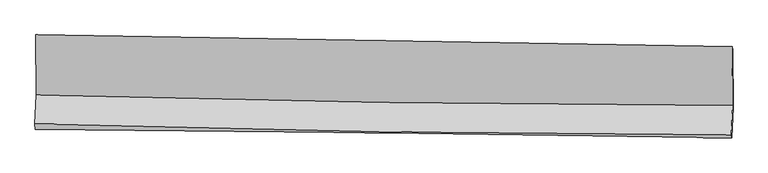
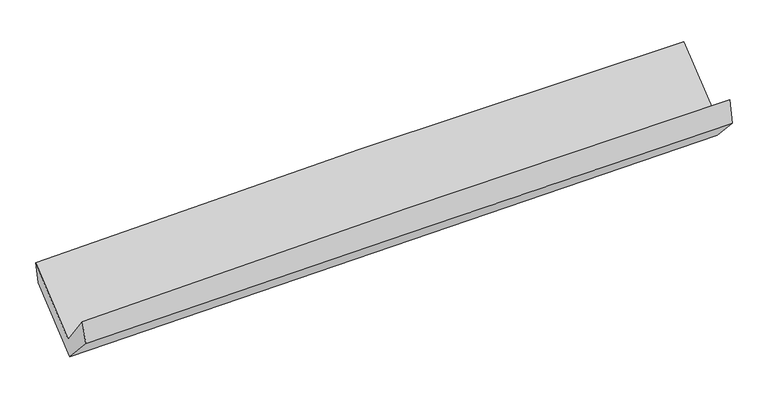
"""IFC4 building model written with IfcOpenShell, lengths in millimetres: proxy geometry."""

from ifc_helpers import new_model, si_unit, frame, origin, place, context, project, spatial, source, transform, mapped, element, save
from ifc_brep_helpers import plane_surface, spline_curve, spline_surface, advanced_brep


def generic_models_e3f27077(model_context):
    return source(origin(), model_context, "Body", "AdvancedBrep", [
        advanced_brep(
        [(-3015.0574353, -1157.4992455, 2163.2579656), (-3011.6463668, -1676.8540167, 1718.7193031), (3001.9726146, -1768.7834608, 1891.8674829), (2997.4783874, -1260.38604, 2312.7140872), (-3022.3927682, -1929.0245788, 2050.9586459), (2991.7384827, -2023.8181047, 2199.8489644), (-3018.653411, -1978.1673797, 1857.9129149), (2996.6815538, -2049.0143154, 1982.7884669), (-3008.2945977, -1700.4145867, 1557.2733773), (3006.3665383, -1789.0334013, 1699.9096156), (-3011.424096, -1190.534963, 1984.0090852), (3001.9117883, -1285.1017464, 2117.0595008)],
        [
            (0, 1),
            (1, 2, spline_curve(3, [(-3011.6463668, -1676.8540167, 1718.7193031), (-2009.481778394, -1704.839911097, 1760.022354256), (-1007.080443015, -1726.494134292, 1795.105910435), (997.459565298, -1757.127988384, 1852.812840594), (1999.597890266, -1766.116913061, 1875.445344346), (3001.9726146, -1768.7834608, 1891.8674829)], [4, 2, 4], [0.0, 9.872772271116698, 19.73829575553517])),
            (2, 3),
            (3, 0, spline_curve(3, [(2997.4783874, -1260.38604, 2312.7140872), (1995.323531713, -1243.183262962, 2305.908745841), (993.385378444, -1226.011112705, 2290.059295039), (-1010.793547355, -1191.715469198, 2240.253882982), (-2013.034001869, -1174.592021877, 2206.28462673), (-3015.0574353, -1157.4992455, 2163.2579656)], [4, 2, 4], [0.0, 9.865523484418471, 19.73829575553517])),
            (1, 4),
            (4, 5, spline_curve(3, [(-3022.3927682, -1929.0245788, 2050.9586459), (-2020.403305859, -1958.301960064, 2098.710756689), (-1018.046780646, -1980.840538509, 2134.994685154), (986.664174949, -2012.42848838, 2184.607957229), (1989.018066868, -2021.487752122, 2197.954134828), (2991.7384827, -2023.8181047, 2199.8489644)], [4, 2, 4], [0.0, 9.874314144102968, 19.74137836943375])),
            (5, 2),
            (4, 6),
            (6, 7, spline_curve(3, [(-3018.653411, -1978.1673797, 1857.9129149), (-2015.621782644, -1984.121174614, 1875.260499709), (-1012.643982482, -1993.005226948, 1894.345047175), (992.46759326, -2016.625173749, 1935.972780855), (1994.601448437, -2031.356766332, 1958.513417226), (2996.6815538, -2049.0143154, 1982.7884669)], [4, 2, 4], [0.0, 9.873957450869279, 19.740665244857674])),
            (7, 5),
            (6, 8),
            (8, 9, spline_curve(3, [(-3008.2945977, -1700.4145867, 1557.2733773), (-2005.338573531, -1708.035689885, 1576.671712943), (-1002.454755753, -1719.235168189, 1598.262403919), (1002.432183827, -1748.780026015, 1645.811035093), (2004.435410954, -1767.120152117, 1671.765756675), (3006.3665383, -1789.0334013, 1699.9096156)], [4, 2, 4], [0.0, 9.874137036079064, 19.741024283422195])),
            (9, 7),
            (8, 10),
            (10, 11, spline_curve(3, [(-3011.424096, -1190.534963, 1984.0090852), (-2008.696737975, -1199.7142871, 2002.856580775), (-1006.037729994, -1212.188618066, 2023.372547664), (998.407464697, -1243.715716171, 2067.725135478), (2000.193751294, -1262.763646087, 2091.559306945), (3001.9117883, -1285.1017464, 2117.0595008)], [4, 2, 4], [0.0, 9.87293213836098, 19.73861537264601])),
            (11, 9),
            (10, 0),
            (3, 11),
        ],
        [
            spline_surface(3, 3, [[(-3015.0574353, -1157.4992455, 2163.2579656), (-2013.034001838, -1174.592021749, 2206.284626798), (-1010.793547514, -1191.715469362, 2240.253883098), (993.385378603, -1226.011112541, 2290.059294923), (1995.323531875, -1243.183263114, 2305.908745828), (2997.4783874, -1260.38604, 2312.7140872)], [(-3013.920412477, -1330.617502555, 2015.078411434), (-2011.849927333, -1351.341318227, 2057.530535906), (-1009.55584596, -1369.975024371, 2091.871225534), (994.743440789, -1403.050071091, 2144.310476859), (1996.748317992, -1417.494479767, 2162.420945346), (2998.976463164, -1429.851846962, 2172.431885764)], [(-3012.783389623, -1503.735759645, 1866.898857266), (-2010.665852799, -1528.090614739, 1908.776445012), (-1008.318144419, -1548.234579429, 1943.488567916), (996.101502962, -1580.089029688, 1998.561658741), (1998.173104018, -1591.805696333, 2018.933144872), (3000.474538836, -1599.317653838, 2032.149684336)], [(-3011.6463668, -1676.8540167, 1718.7193031), (-2009.481778294, -1704.839911217, 1760.02235412), (-1007.080442865, -1726.494134439, 1795.105910352), (997.459565148, -1757.127988237, 1852.812840677), (1999.597890136, -1766.116912986, 1875.44534439), (3001.9726146, -1768.7834608, 1891.8674829)]], [4, 4], [4, 2, 4], [0.0, 2.2699700833705503], [0.0, 9.872772271116698, 19.73829575553517]),
            spline_surface(3, 3, [[(-3011.6463668, -1676.8540167, 1718.7193031), (-2009.481778294, -1704.839911217, 1760.02235412), (-1007.080442865, -1726.494134439, 1795.105910352), (997.459565148, -1757.127988237, 1852.812840677), (1999.597890136, -1766.116912986, 1875.44534439), (3001.9726146, -1768.7834608, 1891.8674829)], [(-3015.2285006, -1760.910870738, 1829.465750709), (-2013.122287458, -1789.327260848, 1872.918488316), (-1010.735888832, -1811.27626909, 1908.402168619), (993.861101778, -1842.228154989, 1963.411212836), (1996.0712824, -1851.240526028, 1982.948274554), (2998.561237298, -1853.795008768, 1994.527976737)], [(-3018.8106344, -1844.967724762, 1940.212198291), (-2016.762796623, -1873.814610464, 1985.814622485), (-1014.391334783, -1896.058403744, 2021.698426925), (990.262638423, -1927.328321743, 2074.009585033), (1992.544674669, -1936.364139065, 2090.451204708), (2995.149860002, -1938.806556732, 2097.188470563)], [(-3022.3927682, -1929.0245788, 2050.9586459), (-2020.403305788, -1958.301960095, 2098.710756681), (-1018.046780749, -1980.840538395, 2134.994685192), (986.664175053, -2012.428488494, 2184.607957191), (1989.018066933, -2021.487752106, 2197.954134872), (2991.7384827, -2023.8181047, 2199.8489644)]], [4, 4], [4, 2, 4], [0.0, 1.383585129769696], [0.0, 9.874314144102968, 19.74137836943375]),
            spline_surface(3, 3, [[(-3022.3927682, -1929.0245788, 2050.9586459), (-2020.403305788, -1958.301960095, 2098.710756681), (-1018.046780749, -1980.840538395, 2134.994685192), (986.664175053, -2012.428488494, 2184.607957191), (1989.018066933, -2021.487752106, 2197.954134872), (2991.7384827, -2023.8181047, 2199.8489644)], [(-3021.146315775, -1945.405512431, 1986.610068873), (-2018.809464682, -1966.908364885, 2024.227337609), (-1016.245848034, -1984.895434622, 2054.778139186), (988.598647803, -2013.827383551, 2101.72956509), (1990.879194051, -2024.777423481, 2118.140562327), (2993.386173056, -2032.216841596, 2127.495465242)], [(-3019.899863425, -1961.786446069, 1922.261491927), (-2017.215623651, -1975.514769684, 1949.743918619), (-1014.44491528, -1988.950330827, 1974.561593164), (990.533120592, -2015.226278586, 2018.851172973), (1992.7403212, -2028.067094868, 2038.326989757), (2995.033863444, -2040.615578504, 2055.141966058)], [(-3018.653411, -1978.1673797, 1857.9129149), (-2015.621782546, -1984.121174475, 1875.260499547), (-1012.643982565, -1993.005227055, 1894.345047159), (992.467593342, -2016.625173642, 1935.972780872), (1994.601448317, -2031.356766243, 1958.513417212), (2996.6815538, -2049.0143154, 1982.7884669)]], [4, 4], [4, 2, 4], [0.0, 0.8032822404319997], [0.0, 9.873957450869279, 19.740665244857674]),
            spline_surface(3, 3, [[(-3018.653411, -1978.1673797, 1857.9129149), (-2015.621782546, -1984.121174475, 1875.260499547), (-1012.643982565, -1993.005227055, 1894.345047159), (992.467593342, -2016.625173642, 1935.972780872), (1994.601448317, -2031.356766243, 1958.513417212), (2996.6815538, -2049.0143154, 1982.7884669)], [(-3015.20047324, -1885.583115386, 1757.699735726), (-2012.194046242, -1892.092679595, 1775.730904054), (-1009.247573579, -1901.748540798, 1795.650832807), (995.789123466, -1927.343457714, 1839.252198917), (1997.879435889, -1943.277894896, 1862.930863689), (2999.909881951, -1962.354010698, 1888.495516445)], [(-3011.74753546, -1792.998851014, 1657.486556474), (-2008.766309919, -1800.064184658, 1676.201308483), (-1005.851164609, -1810.491854572, 1696.956618406), (999.110653575, -1838.061741817, 1742.531616913), (2001.157423509, -1855.199023553, 1767.34831023), (3003.138210149, -1875.693706002, 1794.202566055)], [(-3008.2945977, -1700.4145867, 1557.2733773), (-2005.338573615, -1708.035689778, 1576.67171299), (-1002.454755623, -1719.235168316, 1598.262404054), (1002.432183698, -1748.780025889, 1645.811034958), (2004.435411081, -1767.120152206, 1671.765756707), (3006.3665383, -1789.0334013, 1699.9096156)]], [4, 4], [4, 2, 4], [0.0, 1.3097143171867511], [0.0, 9.874137036079064, 19.741024283422195]),
            spline_surface(3, 3, [[(-3008.2945977, -1700.4145867, 1557.2733773), (-2005.338573615, -1708.035689778, 1576.67171299), (-1002.454755623, -1719.235168316, 1598.262404054), (1002.432183698, -1748.780025889, 1645.811034958), (2004.435411081, -1767.120152206, 1671.765756707), (3006.3665383, -1789.0334013, 1699.9096156)], [(-3009.337763793, -1530.454712129, 1699.518613252), (-2006.457961747, -1538.595222215, 1718.733335608), (-1003.64908037, -1550.219651612, 1739.965785259), (1001.09061065, -1580.425255956, 1786.449068423), (2003.021524459, -1599.001316835, 1811.696940181), (3004.881621643, -1621.056182997, 1838.959577341)], [(-3010.380929907, -1360.494837571, 1841.763849248), (-2007.577349902, -1369.154754663, 1860.794958271), (-1004.84340511, -1381.20413488, 1881.669166524), (999.749037608, -1412.070485993, 1927.087101948), (2001.607637809, -1430.882481473, 1951.628123632), (3003.396704957, -1453.078964703, 1978.009539059)], [(-3011.424096, -1190.534963, 1984.0090852), (-2008.696738035, -1199.7142871, 2002.856580889), (-1006.037729857, -1212.188618176, 2023.37254773), (998.40746456, -1243.715716061, 2067.725135413), (2000.193751187, -1262.763646103, 2091.559307106), (3001.9117883, -1285.1017464, 2117.0595008)]], [4, 4], [4, 2, 4], [0.0, 2.165033218522723], [0.0, 9.87293213836098, 19.73861537264601]),
            spline_surface(3, 3, [[(-3011.424096, -1190.534963, 1984.0090852), (-2008.696738035, -1199.7142871, 2002.856580889), (-1006.037729857, -1212.188618176, 2023.37254773), (998.40746456, -1243.715716061, 2067.725135413), (2000.193751187, -1262.763646103, 2091.559307106), (3001.9117883, -1285.1017464, 2117.0595008)], [(-3012.635209116, -1179.523057161, 2043.758712006), (-2010.142492651, -1191.340198644, 2070.665929531), (-1007.623002398, -1205.364235248, 2095.666326179), (996.733435919, -1237.814181564, 2141.836521909), (1998.570344738, -1256.236851751, 2163.009120017), (3000.433987988, -1276.863177578, 2182.277696271)], [(-3013.846322184, -1168.511151339, 2103.508338794), (-2011.588247221, -1182.966110205, 2138.475278155), (-1009.208274973, -1198.53985229, 2167.960104649), (995.059407244, -1231.912647038, 2215.947908426), (1996.946938324, -1249.710057466, 2234.458932916), (2998.956187712, -1268.624608822, 2247.495891729)], [(-3015.0574353, -1157.4992455, 2163.2579656), (-2013.034001838, -1174.592021749, 2206.284626798), (-1010.793547514, -1191.715469362, 2240.253883098), (993.385378603, -1226.011112541, 2290.059294923), (1995.323531875, -1243.183263114, 2305.908745828), (2997.4783874, -1260.38604, 2312.7140872)]], [4, 4], [4, 2, 4], [0.0, 0.7233861846037987], [0.0, 9.871494441917486, 19.735741035344482]),
            plane_surface(frame((2999.3582275, -1696.0228448, 2034.031353), z_axis=(0.9996494498032531, -0.011071442730628218, 0.02404996182775071), x_axis=(-0.006809435290055261, 0.7702991225557001, 0.6376463701621372))),
            plane_surface(frame((-3014.5781125, -1605.415795, 1888.6885487), z_axis=(-0.9996621958477883, 0.01279702541205995, -0.022621457366436733), x_axis=(0.01993012139070249, -0.18121232218452382, -0.9832420274529787))),
        ],
        [
            (0, [[1, 2, 3, 4]]),
            (1, [[5, 6, 7, -2]]),
            (2, [[8, 9, 10, -6]]),
            (3, [[11, 12, 13, -9]]),
            (4, [[14, 15, 16, -12]]),
            (5, [[17, -4, 18, -15]]),
            (6, [[-16, -18, -3, -7, -10, -13]]),
            (7, [[-17, -14, -11, -8, -5, -1]]),
        ],
    ),
    ])


if __name__ == "__main__":
    model = new_model("IFC4")
    model_context = context("Model", 3, world=origin())
    ifc_project = project(units=[si_unit("LENGTHUNIT", "METRE", prefix="MILLI")], contexts=[model_context])
    site = spatial("IfcSite", under=ifc_project)
    building = spatial("IfcBuilding", under=site)
    placement = place(None, origin())
    generic_models_shape = generic_models_e3f27077(model_context)
    element("IfcBuildingElementProxy", 1, Name="Generic Models", at=placement, inside=building, context=model_context, shape_type="MappedRepresentation", body=[
        mapped(generic_models_shape, transform((0.0, 0.0, 0.0), x_axis=(1.0, 0.0, 0.0), y_axis=(0.0, 1.0, 0.0), z_axis=(0.0, 0.0, 1.0))),
    ])
    save(model, "model.ifc")
